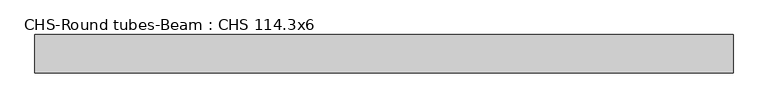
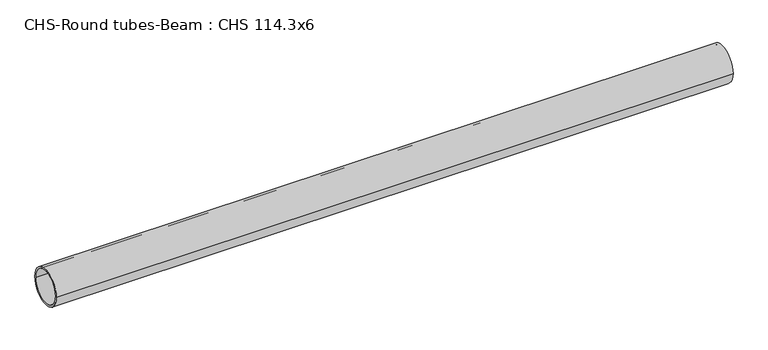
"""IFC4 building model written with IfcOpenShell, lengths in millimetres: beam geometry, CHS-Round tubes-Beam : CHS 114.3x6."""

from ifc_helpers import new_model, si_unit, point, frame, origin, origin_2d, place, context, project, spatial, circle_curve, trimmed, segment, composite_curve, outline, extrude, source, transform, mapped, element, save


def chs_round_tubes_beam_chs_114_3x6_99b9f285(model_context):
    return source(origin(), model_context, "Body", "SweptSolid", [
        extrude(outline(composite_curve([segment(trimmed(circle_curve(origin_2d(), 57.15), [point((57.15, 0.0))], [point((-57.15, 0.0))], False, "CARTESIAN"), True, "CONTINUOUS"), segment(trimmed(circle_curve(origin_2d(), 57.15), [point((-57.15, 0.0))], [point((57.15, 0.0))], False, "CARTESIAN"), True, "CONTINUOUS")], self_intersect=False), holes=[composite_curve([segment(trimmed(circle_curve(origin_2d(), 51.15), [point((51.15, 0.0))], [point((-51.15, 0.0))], True, "CARTESIAN"), True, "CONTINUOUS"), segment(trimmed(circle_curve(origin_2d(), 51.15), [point((-51.15, 0.0))], [point((51.15, 0.0))], True, "CARTESIAN"), True, "CONTINUOUS")], self_intersect=False)]), frame((-1035.1992237, 0.0, 0.0), z_axis=(1.0, 0.0, 0.0), x_axis=(0.0, 1.0, 0.0)), (0.0, 0.0, 1.0), 2088.5944092),
    ])


if __name__ == "__main__":
    model = new_model("IFC4")
    model_context = context("Model", 3, world=origin())
    ifc_project = project(units=[si_unit("LENGTHUNIT", "METRE", prefix="MILLI")], contexts=[model_context])
    site = spatial("IfcSite", under=ifc_project)
    building = spatial("IfcBuilding", under=site)
    placement = place(None, origin())
    chs_round_tubes_beam_chs_114_3x6_shape = chs_round_tubes_beam_chs_114_3x6_99b9f285(model_context)
    element("IfcBeam", 1, ObjectType="CHS-Round tubes-Beam : CHS 114.3x6", at=placement, inside=building, context=model_context, shape_type="MappedRepresentation", body=[
        mapped(chs_round_tubes_beam_chs_114_3x6_shape, transform((0.0, 0.0, 0.0), x_axis=(1.0, 0.0, 0.0), y_axis=(0.0, 1.0, 0.0), z_axis=(0.0, 0.0, 1.0))),
    ])
    save(model, "model.ifc")
